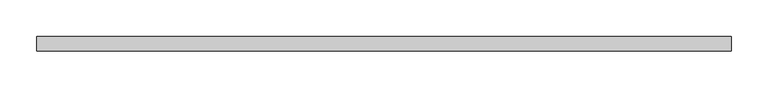
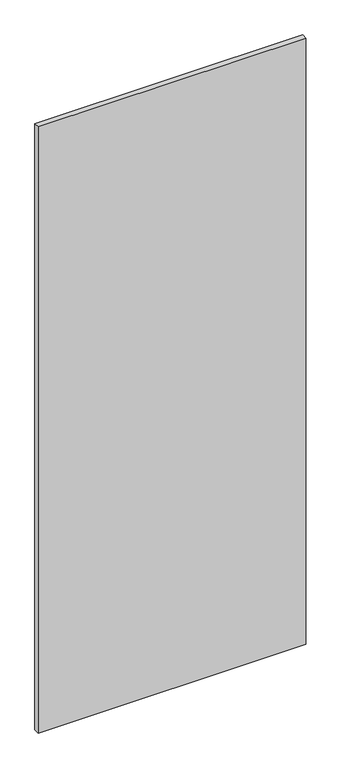
"""IFC4 building model written with IfcOpenShell, lengths in millimetres: plate geometry."""

from ifc_helpers import new_model, si_unit, origin, origin_with_axes, place, context, project, spatial, polyline, outline, extrude, source, transform, mapped, element, save


def plate_189a3c7f(model_context):
    return source(origin(), model_context, "Body", "SweptSolid", [
        extrude(outline(polyline([(475.0, 20.0), (-475.0, 20.0), (-475.0, 40.0), (475.0, 40.0), (475.0, 20.0)])), origin_with_axes(), (0.0, 0.0, 1.0), 2275.0),
    ])


if __name__ == "__main__":
    model = new_model("IFC4")
    model_context = context("Model", 3, world=origin())
    ifc_project = project(units=[si_unit("LENGTHUNIT", "METRE", prefix="MILLI")], contexts=[model_context])
    site = spatial("IfcSite", under=ifc_project)
    building = spatial("IfcBuilding", under=site)
    placement = place(None, origin())
    plate_shape = plate_189a3c7f(model_context)
    element("IfcPlate", 1, at=placement, inside=building, context=model_context, shape_type="MappedRepresentation", body=[
        mapped(plate_shape, transform((0.0, 0.0, 0.0), x_axis=(1.0, 0.0, 0.0), y_axis=(0.0, 1.0, 0.0), z_axis=(0.0, 0.0, 1.0))),
    ])
    save(model, "model.ifc")
